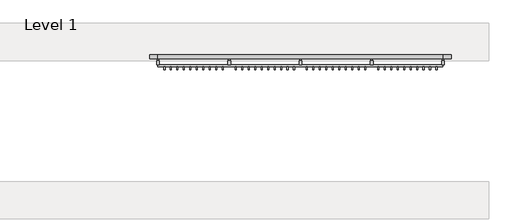
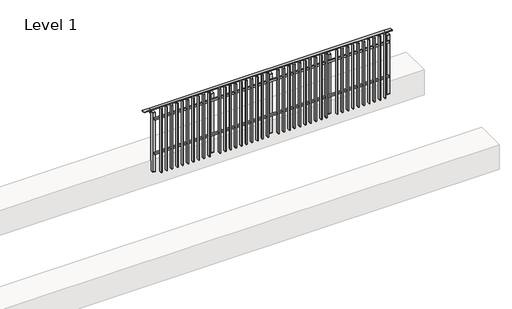
# One storey, part 16 of 17: 1 railing.
"""IFC4 building model written with IfcOpenShell, lengths in millimetres."""

from ifc_helpers import new_model, si_unit, point, frame, frame_2d, origin, place, context, project, spatial, polyline, circle_curve, trimmed, segment, composite_curve, outline, extrude, faceted_brep, element, save

model = new_model("IFC4")

# Units and contexts
model_context = context("Model", 3, world=origin())
ifc_project = project(units=[si_unit("LENGTHUNIT", "METRE", prefix="MILLI")], contexts=[model_context])

# Site, building, storey
site = spatial("IfcSite", under=ifc_project)
building = spatial("IfcBuilding", under=site)
storey = spatial("IfcBuildingStorey", under=building, Name="Level 1", Elevation=0.0)

# Railing
placement = place(None, origin())
element("IfcRailing", 1, at=placement, inside=storey, context=model_context, shape_type="SolidModel", body=[
    faceted_brep([(18027.0, 4992.6846828, 985.0), (18027.0, 4992.6846828, 1000.0), (22527.0, 4992.6846828, 1000.0), (22527.0, 4992.6846828, 985.0), (18027.0, 4932.6846828, 985.0), (22527.0, 4932.6846828, 985.0), (18027.0, 4932.6846828, 1000.0), (22527.0, 4932.6846828, 1000.0), (17899.5, 4992.6846828, 1000.0), (17899.5, 4992.6846828, 985.0), (17899.5, 4932.6846828, 985.0), (17899.5, 4932.6846828, 1000.0), (22654.5, 4992.6846828, 1000.0), (22654.5, 4932.6846828, 1000.0), (22654.5, 4932.6846828, 985.0), (22654.5, 4992.6846828, 985.0)], [[[0, 1, 2, 3]], [[4, 0, 3, 5]], [[6, 4, 5, 7]], [[1, 6, 7, 2]], [[8, 9, 10, 11]], [[9, 8, 1, 0]], [[10, 9, 0, 4]], [[11, 10, 4, 6]], [[8, 11, 6, 1]], [[12, 13, 14, 15]], [[3, 2, 12, 15]], [[5, 3, 15, 14]], [[7, 5, 14, 13]], [[2, 7, 13, 12]]]),
    extrude(outline(polyline([(18027.0, 4803.1846828), (18027.0, 4835.1846828), (22527.0, 4835.1846828), (22527.0, 4803.1846828), (18027.0, 4803.1846828)])), frame((0.0, 0.0, 164.0), z_axis=(0.0, 0.0, 1.0), x_axis=(1.0, 0.0, 0.0)), (0.0, 0.0, 1.0), 36.0),
    extrude(outline(polyline([(18027.0, 4803.1846828), (18027.0, 4835.1846828), (22527.0, 4835.1846828), (22527.0, 4803.1846828), (18027.0, 4803.1846828)])), frame((0.0, 0.0, 864.0), z_axis=(0.0, 0.0, 1.0), x_axis=(1.0, 0.0, 0.0)), (0.0, 0.0, 1.0), 36.0),
    extrude(outline(polyline([(22416.2272727, 4754.1846828), (22416.2272727, 4803.1846828), (22433.2272727, 4803.1846828), (22433.2272727, 4754.1846828), (22416.2272727, 4754.1846828)])), frame((0.0, 0.0, -195.0), z_axis=(0.0, 0.0, 1.0), x_axis=(1.0, 0.0, 0.0)), (0.0, 0.0, 1.0), 1290.0),
    extrude(outline(polyline([(22433.2272727, 4803.1846828), (22433.2272727, 4754.1846828), (22416.2272727, 4754.1846828), (22416.2272727, 4803.1846828), (22433.2272727, 4803.1846828)])), frame((0.0, 0.0, -200.0), z_axis=(0.0, 0.0, 1.0), x_axis=(1.0, 0.0, 0.0)), (0.0, 0.0, 1.0), 5.0),
    extrude(outline(polyline([(22433.2272727, 4803.1846828), (22433.2272727, 4754.1846828), (22416.2272727, 4754.1846828), (22416.2272727, 4803.1846828), (22433.2272727, 4803.1846828)])), frame((0.0, 0.0, 1095.0), z_axis=(0.0, 0.0, 1.0), x_axis=(1.0, 0.0, 0.0)), (0.0, 0.0, 1.0), 5.0),
    extrude(outline(polyline([(22313.9545455, 4754.1846828), (22313.9545455, 4803.1846828), (22330.9545455, 4803.1846828), (22330.9545455, 4754.1846828), (22313.9545455, 4754.1846828)])), frame((0.0, 0.0, -195.0), z_axis=(0.0, 0.0, 1.0), x_axis=(1.0, 0.0, 0.0)), (0.0, 0.0, 1.0), 1290.0),
    extrude(outline(polyline([(22330.9545455, 4803.1846828), (22330.9545455, 4754.1846828), (22313.9545455, 4754.1846828), (22313.9545455, 4803.1846828), (22330.9545455, 4803.1846828)])), frame((0.0, 0.0, -200.0), z_axis=(0.0, 0.0, 1.0), x_axis=(1.0, 0.0, 0.0)), (0.0, 0.0, 1.0), 5.0),
    extrude(outline(polyline([(22330.9545455, 4803.1846828), (22330.9545455, 4754.1846828), (22313.9545455, 4754.1846828), (22313.9545455, 4803.1846828), (22330.9545455, 4803.1846828)])), frame((0.0, 0.0, 1095.0), z_axis=(0.0, 0.0, 1.0), x_axis=(1.0, 0.0, 0.0)), (0.0, 0.0, 1.0), 5.0),
    extrude(outline(polyline([(22211.6818182, 4754.1846828), (22211.6818182, 4803.1846828), (22228.6818182, 4803.1846828), (22228.6818182, 4754.1846828), (22211.6818182, 4754.1846828)])), frame((0.0, 0.0, -195.0), z_axis=(0.0, 0.0, 1.0), x_axis=(1.0, 0.0, 0.0)), (0.0, 0.0, 1.0), 1290.0),
    extrude(outline(polyline([(22228.6818182, 4803.1846828), (22228.6818182, 4754.1846828), (22211.6818182, 4754.1846828), (22211.6818182, 4803.1846828), (22228.6818182, 4803.1846828)])), frame((0.0, 0.0, -200.0), z_axis=(0.0, 0.0, 1.0), x_axis=(1.0, 0.0, 0.0)), (0.0, 0.0, 1.0), 5.0),
    extrude(outline(polyline([(22228.6818182, 4803.1846828), (22228.6818182, 4754.1846828), (22211.6818182, 4754.1846828), (22211.6818182, 4803.1846828), (22228.6818182, 4803.1846828)])), frame((0.0, 0.0, 1095.0), z_axis=(0.0, 0.0, 1.0), x_axis=(1.0, 0.0, 0.0)), (0.0, 0.0, 1.0), 5.0),
    extrude(outline(polyline([(22109.4090909, 4754.1846828), (22109.4090909, 4803.1846828), (22126.4090909, 4803.1846828), (22126.4090909, 4754.1846828), (22109.4090909, 4754.1846828)])), frame((0.0, 0.0, -195.0), z_axis=(0.0, 0.0, 1.0), x_axis=(1.0, 0.0, 0.0)), (0.0, 0.0, 1.0), 1290.0),
    extrude(outline(polyline([(22126.4090909, 4803.1846828), (22126.4090909, 4754.1846828), (22109.4090909, 4754.1846828), (22109.4090909, 4803.1846828), (22126.4090909, 4803.1846828)])), frame((0.0, 0.0, -200.0), z_axis=(0.0, 0.0, 1.0), x_axis=(1.0, 0.0, 0.0)), (0.0, 0.0, 1.0), 5.0),
    extrude(outline(polyline([(22126.4090909, 4803.1846828), (22126.4090909, 4754.1846828), (22109.4090909, 4754.1846828), (22109.4090909, 4803.1846828), (22126.4090909, 4803.1846828)])), frame((0.0, 0.0, 1095.0), z_axis=(0.0, 0.0, 1.0), x_axis=(1.0, 0.0, 0.0)), (0.0, 0.0, 1.0), 5.0),
    extrude(outline(polyline([(22007.1363636, 4754.1846828), (22007.1363636, 4803.1846828), (22024.1363636, 4803.1846828), (22024.1363636, 4754.1846828), (22007.1363636, 4754.1846828)])), frame((0.0, 0.0, -195.0), z_axis=(0.0, 0.0, 1.0), x_axis=(1.0, 0.0, 0.0)), (0.0, 0.0, 1.0), 1290.0),
    extrude(outline(polyline([(22024.1363636, 4803.1846828), (22024.1363636, 4754.1846828), (22007.1363636, 4754.1846828), (22007.1363636, 4803.1846828), (22024.1363636, 4803.1846828)])), frame((0.0, 0.0, -200.0), z_axis=(0.0, 0.0, 1.0), x_axis=(1.0, 0.0, 0.0)), (0.0, 0.0, 1.0), 5.0),
    extrude(outline(polyline([(22024.1363636, 4803.1846828), (22024.1363636, 4754.1846828), (22007.1363636, 4754.1846828), (22007.1363636, 4803.1846828), (22024.1363636, 4803.1846828)])), frame((0.0, 0.0, 1095.0), z_axis=(0.0, 0.0, 1.0), x_axis=(1.0, 0.0, 0.0)), (0.0, 0.0, 1.0), 5.0),
    extrude(outline(polyline([(21904.8636364, 4754.1846828), (21904.8636364, 4803.1846828), (21921.8636364, 4803.1846828), (21921.8636364, 4754.1846828), (21904.8636364, 4754.1846828)])), frame((0.0, 0.0, -195.0), z_axis=(0.0, 0.0, 1.0), x_axis=(1.0, 0.0, 0.0)), (0.0, 0.0, 1.0), 1290.0),
    extrude(outline(polyline([(21921.8636364, 4803.1846828), (21921.8636364, 4754.1846828), (21904.8636364, 4754.1846828), (21904.8636364, 4803.1846828), (21921.8636364, 4803.1846828)])), frame((0.0, 0.0, -200.0), z_axis=(0.0, 0.0, 1.0), x_axis=(1.0, 0.0, 0.0)), (0.0, 0.0, 1.0), 5.0),
    extrude(outline(polyline([(21921.8636364, 4803.1846828), (21921.8636364, 4754.1846828), (21904.8636364, 4754.1846828), (21904.8636364, 4803.1846828), (21921.8636364, 4803.1846828)])), frame((0.0, 0.0, 1095.0), z_axis=(0.0, 0.0, 1.0), x_axis=(1.0, 0.0, 0.0)), (0.0, 0.0, 1.0), 5.0),
    extrude(outline(polyline([(21802.5909091, 4754.1846828), (21802.5909091, 4803.1846828), (21819.5909091, 4803.1846828), (21819.5909091, 4754.1846828), (21802.5909091, 4754.1846828)])), frame((0.0, 0.0, -195.0), z_axis=(0.0, 0.0, 1.0), x_axis=(1.0, 0.0, 0.0)), (0.0, 0.0, 1.0), 1290.0),
    extrude(outline(polyline([(21819.5909091, 4803.1846828), (21819.5909091, 4754.1846828), (21802.5909091, 4754.1846828), (21802.5909091, 4803.1846828), (21819.5909091, 4803.1846828)])), frame((0.0, 0.0, -200.0), z_axis=(0.0, 0.0, 1.0), x_axis=(1.0, 0.0, 0.0)), (0.0, 0.0, 1.0), 5.0),
    extrude(outline(polyline([(21819.5909091, 4803.1846828), (21819.5909091, 4754.1846828), (21802.5909091, 4754.1846828), (21802.5909091, 4803.1846828), (21819.5909091, 4803.1846828)])), frame((0.0, 0.0, 1095.0), z_axis=(0.0, 0.0, 1.0), x_axis=(1.0, 0.0, 0.0)), (0.0, 0.0, 1.0), 5.0),
    extrude(outline(polyline([(21700.3181818, 4754.1846828), (21700.3181818, 4803.1846828), (21717.3181818, 4803.1846828), (21717.3181818, 4754.1846828), (21700.3181818, 4754.1846828)])), frame((0.0, 0.0, -195.0), z_axis=(0.0, 0.0, 1.0), x_axis=(1.0, 0.0, 0.0)), (0.0, 0.0, 1.0), 1290.0),
    extrude(outline(polyline([(21717.3181818, 4803.1846828), (21717.3181818, 4754.1846828), (21700.3181818, 4754.1846828), (21700.3181818, 4803.1846828), (21717.3181818, 4803.1846828)])), frame((0.0, 0.0, -200.0), z_axis=(0.0, 0.0, 1.0), x_axis=(1.0, 0.0, 0.0)), (0.0, 0.0, 1.0), 5.0),
    extrude(outline(polyline([(21717.3181818, 4803.1846828), (21717.3181818, 4754.1846828), (21700.3181818, 4754.1846828), (21700.3181818, 4803.1846828), (21717.3181818, 4803.1846828)])), frame((0.0, 0.0, 1095.0), z_axis=(0.0, 0.0, 1.0), x_axis=(1.0, 0.0, 0.0)), (0.0, 0.0, 1.0), 5.0),
    extrude(outline(polyline([(21598.0454545, 4754.1846828), (21598.0454545, 4803.1846828), (21615.0454545, 4803.1846828), (21615.0454545, 4754.1846828), (21598.0454545, 4754.1846828)])), frame((0.0, 0.0, -195.0), z_axis=(0.0, 0.0, 1.0), x_axis=(1.0, 0.0, 0.0)), (0.0, 0.0, 1.0), 1290.0),
    extrude(outline(polyline([(21615.0454545, 4803.1846828), (21615.0454545, 4754.1846828), (21598.0454545, 4754.1846828), (21598.0454545, 4803.1846828), (21615.0454545, 4803.1846828)])), frame((0.0, 0.0, -200.0), z_axis=(0.0, 0.0, 1.0), x_axis=(1.0, 0.0, 0.0)), (0.0, 0.0, 1.0), 5.0),
    extrude(outline(polyline([(21615.0454545, 4803.1846828), (21615.0454545, 4754.1846828), (21598.0454545, 4754.1846828), (21598.0454545, 4803.1846828), (21615.0454545, 4803.1846828)])), frame((0.0, 0.0, 1095.0), z_axis=(0.0, 0.0, 1.0), x_axis=(1.0, 0.0, 0.0)), (0.0, 0.0, 1.0), 5.0),
    extrude(outline(polyline([(21495.7727273, 4754.1846828), (21495.7727273, 4803.1846828), (21512.7727273, 4803.1846828), (21512.7727273, 4754.1846828), (21495.7727273, 4754.1846828)])), frame((0.0, 0.0, -195.0), z_axis=(0.0, 0.0, 1.0), x_axis=(1.0, 0.0, 0.0)), (0.0, 0.0, 1.0), 1290.0),
    extrude(outline(polyline([(21512.7727273, 4803.1846828), (21512.7727273, 4754.1846828), (21495.7727273, 4754.1846828), (21495.7727273, 4803.1846828), (21512.7727273, 4803.1846828)])), frame((0.0, 0.0, -200.0), z_axis=(0.0, 0.0, 1.0), x_axis=(1.0, 0.0, 0.0)), (0.0, 0.0, 1.0), 5.0),
    extrude(outline(polyline([(21512.7727273, 4803.1846828), (21512.7727273, 4754.1846828), (21495.7727273, 4754.1846828), (21495.7727273, 4803.1846828), (21512.7727273, 4803.1846828)])), frame((0.0, 0.0, 1095.0), z_axis=(0.0, 0.0, 1.0), x_axis=(1.0, 0.0, 0.0)), (0.0, 0.0, 1.0), 5.0),
    extrude(outline(composite_curve([segment(polyline([(4988.1846828, 985.0), (4988.1846828, 960.900037)]), True, "CONTINUOUS"), segment(trimmed(circle_curve(frame_2d((4978.1846828, 960.900037)), 10.0), [point((4988.1846828, 960.900037))], [point((4980.7728733, 951.2407787))], False, "CARTESIAN"), True, "CONTINUOUS"), segment(polyline([(4980.7728733, 951.2407787), (4923.7244733, 935.9547061)]), True, "CONTINUOUS"), segment(trimmed(circle_curve(frame_2d((4926.3126638, 926.2954478)), 10.0), [point((4923.7244733, 935.9547061))], [point((4916.3982152, 927.6007097))], True, "CARTESIAN"), True, "CONTINUOUS"), segment(polyline([(4916.3982152, 927.6007097), (4911.791393, 892.6084214)]), True, "CONTINUOUS"), segment(trimmed(circle_curve(frame_2d((4908.8170584, 893.0)), 3.0), [point((4911.791393, 892.6084214))], [point((4908.8170584, 890.0))], False, "CARTESIAN"), True, "CONTINUOUS"), segment(polyline([(4908.8170584, 890.0), (4900.1846828, 890.0), (4900.1846828, 940.0), (4964.1846828, 957.1487483), (4964.1846828, 985.0), (4988.1846828, 985.0)]), True, "CONTINUOUS")], self_intersect=False)), frame((21389.5, 0.0, 0.0), z_axis=(1.0, 0.0, 0.0), x_axis=(0.0, 1.0, 0.0)), (0.0, 0.0, 1.0), 25.0),
    extrude(outline(polyline([(21424.5, 4900.1846828), (21424.5, 4835.1846828), (21379.5, 4835.1846828), (21379.5, 4900.1846828), (21424.5, 4900.1846828)])), frame((0.0, 0.0, 1000.0), z_axis=(0.0, 0.0, 1.0), x_axis=(1.0, 0.0, 0.0)), (0.0, 0.0, 1.0), 5.0),
    extrude(outline(polyline([(21424.5, 4900.1846828), (21424.5, 4835.1846828), (21379.5, 4835.1846828), (21379.5, 4900.1846828), (21424.5, 4900.1846828)])), frame((0.0, 0.0, -192.0), z_axis=(0.0, 0.0, 1.0), x_axis=(1.0, 0.0, 0.0)), (0.0, 0.0, 1.0), 1192.0),
    extrude(outline(polyline([(21424.5, 4900.1846828), (21424.5, 4835.1846828), (21379.5, 4835.1846828), (21379.5, 4900.1846828), (21424.5, 4900.1846828)])), frame((0.0, 0.0, -200.0), z_axis=(0.0, 0.0, 1.0), x_axis=(1.0, 0.0, 0.0)), (0.0, 0.0, 1.0), 8.0),
    extrude(outline(polyline([(21291.2272727, 4754.1846828), (21291.2272727, 4803.1846828), (21308.2272727, 4803.1846828), (21308.2272727, 4754.1846828), (21291.2272727, 4754.1846828)])), frame((0.0, 0.0, -195.0), z_axis=(0.0, 0.0, 1.0), x_axis=(1.0, 0.0, 0.0)), (0.0, 0.0, 1.0), 1290.0),
    extrude(outline(polyline([(21308.2272727, 4803.1846828), (21308.2272727, 4754.1846828), (21291.2272727, 4754.1846828), (21291.2272727, 4803.1846828), (21308.2272727, 4803.1846828)])), frame((0.0, 0.0, -200.0), z_axis=(0.0, 0.0, 1.0), x_axis=(1.0, 0.0, 0.0)), (0.0, 0.0, 1.0), 5.0),
    extrude(outline(polyline([(21308.2272727, 4803.1846828), (21308.2272727, 4754.1846828), (21291.2272727, 4754.1846828), (21291.2272727, 4803.1846828), (21308.2272727, 4803.1846828)])), frame((0.0, 0.0, 1095.0), z_axis=(0.0, 0.0, 1.0), x_axis=(1.0, 0.0, 0.0)), (0.0, 0.0, 1.0), 5.0),
    extrude(outline(polyline([(21188.9545455, 4754.1846828), (21188.9545455, 4803.1846828), (21205.9545455, 4803.1846828), (21205.9545455, 4754.1846828), (21188.9545455, 4754.1846828)])), frame((0.0, 0.0, -195.0), z_axis=(0.0, 0.0, 1.0), x_axis=(1.0, 0.0, 0.0)), (0.0, 0.0, 1.0), 1290.0),
    extrude(outline(polyline([(21205.9545455, 4803.1846828), (21205.9545455, 4754.1846828), (21188.9545455, 4754.1846828), (21188.9545455, 4803.1846828), (21205.9545455, 4803.1846828)])), frame((0.0, 0.0, -200.0), z_axis=(0.0, 0.0, 1.0), x_axis=(1.0, 0.0, 0.0)), (0.0, 0.0, 1.0), 5.0),
    extrude(outline(polyline([(21205.9545455, 4803.1846828), (21205.9545455, 4754.1846828), (21188.9545455, 4754.1846828), (21188.9545455, 4803.1846828), (21205.9545455, 4803.1846828)])), frame((0.0, 0.0, 1095.0), z_axis=(0.0, 0.0, 1.0), x_axis=(1.0, 0.0, 0.0)), (0.0, 0.0, 1.0), 5.0),
    extrude(outline(polyline([(21086.6818182, 4754.1846828), (21086.6818182, 4803.1846828), (21103.6818182, 4803.1846828), (21103.6818182, 4754.1846828), (21086.6818182, 4754.1846828)])), frame((0.0, 0.0, -195.0), z_axis=(0.0, 0.0, 1.0), x_axis=(1.0, 0.0, 0.0)), (0.0, 0.0, 1.0), 1290.0),
    extrude(outline(polyline([(21103.6818182, 4803.1846828), (21103.6818182, 4754.1846828), (21086.6818182, 4754.1846828), (21086.6818182, 4803.1846828), (21103.6818182, 4803.1846828)])), frame((0.0, 0.0, -200.0), z_axis=(0.0, 0.0, 1.0), x_axis=(1.0, 0.0, 0.0)), (0.0, 0.0, 1.0), 5.0),
    extrude(outline(polyline([(21103.6818182, 4803.1846828), (21103.6818182, 4754.1846828), (21086.6818182, 4754.1846828), (21086.6818182, 4803.1846828), (21103.6818182, 4803.1846828)])), frame((0.0, 0.0, 1095.0), z_axis=(0.0, 0.0, 1.0), x_axis=(1.0, 0.0, 0.0)), (0.0, 0.0, 1.0), 5.0),
    extrude(outline(polyline([(20984.4090909, 4754.1846828), (20984.4090909, 4803.1846828), (21001.4090909, 4803.1846828), (21001.4090909, 4754.1846828), (20984.4090909, 4754.1846828)])), frame((0.0, 0.0, -195.0), z_axis=(0.0, 0.0, 1.0), x_axis=(1.0, 0.0, 0.0)), (0.0, 0.0, 1.0), 1290.0),
    extrude(outline(polyline([(21001.4090909, 4803.1846828), (21001.4090909, 4754.1846828), (20984.4090909, 4754.1846828), (20984.4090909, 4803.1846828), (21001.4090909, 4803.1846828)])), frame((0.0, 0.0, -200.0), z_axis=(0.0, 0.0, 1.0), x_axis=(1.0, 0.0, 0.0)), (0.0, 0.0, 1.0), 5.0),
    extrude(outline(polyline([(21001.4090909, 4803.1846828), (21001.4090909, 4754.1846828), (20984.4090909, 4754.1846828), (20984.4090909, 4803.1846828), (21001.4090909, 4803.1846828)])), frame((0.0, 0.0, 1095.0), z_axis=(0.0, 0.0, 1.0), x_axis=(1.0, 0.0, 0.0)), (0.0, 0.0, 1.0), 5.0),
    extrude(outline(polyline([(20882.1363636, 4754.1846828), (20882.1363636, 4803.1846828), (20899.1363636, 4803.1846828), (20899.1363636, 4754.1846828), (20882.1363636, 4754.1846828)])), frame((0.0, 0.0, -195.0), z_axis=(0.0, 0.0, 1.0), x_axis=(1.0, 0.0, 0.0)), (0.0, 0.0, 1.0), 1290.0),
    extrude(outline(polyline([(20899.1363636, 4803.1846828), (20899.1363636, 4754.1846828), (20882.1363636, 4754.1846828), (20882.1363636, 4803.1846828), (20899.1363636, 4803.1846828)])), frame((0.0, 0.0, -200.0), z_axis=(0.0, 0.0, 1.0), x_axis=(1.0, 0.0, 0.0)), (0.0, 0.0, 1.0), 5.0),
    extrude(outline(polyline([(20899.1363636, 4803.1846828), (20899.1363636, 4754.1846828), (20882.1363636, 4754.1846828), (20882.1363636, 4803.1846828), (20899.1363636, 4803.1846828)])), frame((0.0, 0.0, 1095.0), z_axis=(0.0, 0.0, 1.0), x_axis=(1.0, 0.0, 0.0)), (0.0, 0.0, 1.0), 5.0),
    extrude(outline(polyline([(20779.8636364, 4754.1846828), (20779.8636364, 4803.1846828), (20796.8636364, 4803.1846828), (20796.8636364, 4754.1846828), (20779.8636364, 4754.1846828)])), frame((0.0, 0.0, -195.0), z_axis=(0.0, 0.0, 1.0), x_axis=(1.0, 0.0, 0.0)), (0.0, 0.0, 1.0), 1290.0),
    extrude(outline(polyline([(20796.8636364, 4803.1846828), (20796.8636364, 4754.1846828), (20779.8636364, 4754.1846828), (20779.8636364, 4803.1846828), (20796.8636364, 4803.1846828)])), frame((0.0, 0.0, -200.0), z_axis=(0.0, 0.0, 1.0), x_axis=(1.0, 0.0, 0.0)), (0.0, 0.0, 1.0), 5.0),
    extrude(outline(polyline([(20796.8636364, 4803.1846828), (20796.8636364, 4754.1846828), (20779.8636364, 4754.1846828), (20779.8636364, 4803.1846828), (20796.8636364, 4803.1846828)])), frame((0.0, 0.0, 1095.0), z_axis=(0.0, 0.0, 1.0), x_axis=(1.0, 0.0, 0.0)), (0.0, 0.0, 1.0), 5.0),
    extrude(outline(polyline([(20677.5909091, 4754.1846828), (20677.5909091, 4803.1846828), (20694.5909091, 4803.1846828), (20694.5909091, 4754.1846828), (20677.5909091, 4754.1846828)])), frame((0.0, 0.0, -195.0), z_axis=(0.0, 0.0, 1.0), x_axis=(1.0, 0.0, 0.0)), (0.0, 0.0, 1.0), 1290.0),
    extrude(outline(polyline([(20694.5909091, 4803.1846828), (20694.5909091, 4754.1846828), (20677.5909091, 4754.1846828), (20677.5909091, 4803.1846828), (20694.5909091, 4803.1846828)])), frame((0.0, 0.0, -200.0), z_axis=(0.0, 0.0, 1.0), x_axis=(1.0, 0.0, 0.0)), (0.0, 0.0, 1.0), 5.0),
    extrude(outline(polyline([(20694.5909091, 4803.1846828), (20694.5909091, 4754.1846828), (20677.5909091, 4754.1846828), (20677.5909091, 4803.1846828), (20694.5909091, 4803.1846828)])), frame((0.0, 0.0, 1095.0), z_axis=(0.0, 0.0, 1.0), x_axis=(1.0, 0.0, 0.0)), (0.0, 0.0, 1.0), 5.0),
    extrude(outline(polyline([(20575.3181818, 4754.1846828), (20575.3181818, 4803.1846828), (20592.3181818, 4803.1846828), (20592.3181818, 4754.1846828), (20575.3181818, 4754.1846828)])), frame((0.0, 0.0, -195.0), z_axis=(0.0, 0.0, 1.0), x_axis=(1.0, 0.0, 0.0)), (0.0, 0.0, 1.0), 1290.0),
    extrude(outline(polyline([(20592.3181818, 4803.1846828), (20592.3181818, 4754.1846828), (20575.3181818, 4754.1846828), (20575.3181818, 4803.1846828), (20592.3181818, 4803.1846828)])), frame((0.0, 0.0, -200.0), z_axis=(0.0, 0.0, 1.0), x_axis=(1.0, 0.0, 0.0)), (0.0, 0.0, 1.0), 5.0),
    extrude(outline(polyline([(20592.3181818, 4803.1846828), (20592.3181818, 4754.1846828), (20575.3181818, 4754.1846828), (20575.3181818, 4803.1846828), (20592.3181818, 4803.1846828)])), frame((0.0, 0.0, 1095.0), z_axis=(0.0, 0.0, 1.0), x_axis=(1.0, 0.0, 0.0)), (0.0, 0.0, 1.0), 5.0),
    extrude(outline(polyline([(20473.0454545, 4754.1846828), (20473.0454545, 4803.1846828), (20490.0454545, 4803.1846828), (20490.0454545, 4754.1846828), (20473.0454545, 4754.1846828)])), frame((0.0, 0.0, -195.0), z_axis=(0.0, 0.0, 1.0), x_axis=(1.0, 0.0, 0.0)), (0.0, 0.0, 1.0), 1290.0),
    extrude(outline(polyline([(20490.0454545, 4803.1846828), (20490.0454545, 4754.1846828), (20473.0454545, 4754.1846828), (20473.0454545, 4803.1846828), (20490.0454545, 4803.1846828)])), frame((0.0, 0.0, -200.0), z_axis=(0.0, 0.0, 1.0), x_axis=(1.0, 0.0, 0.0)), (0.0, 0.0, 1.0), 5.0),
    extrude(outline(polyline([(20490.0454545, 4803.1846828), (20490.0454545, 4754.1846828), (20473.0454545, 4754.1846828), (20473.0454545, 4803.1846828), (20490.0454545, 4803.1846828)])), frame((0.0, 0.0, 1095.0), z_axis=(0.0, 0.0, 1.0), x_axis=(1.0, 0.0, 0.0)), (0.0, 0.0, 1.0), 5.0),
    extrude(outline(polyline([(20370.7727273, 4754.1846828), (20370.7727273, 4803.1846828), (20387.7727273, 4803.1846828), (20387.7727273, 4754.1846828), (20370.7727273, 4754.1846828)])), frame((0.0, 0.0, -195.0), z_axis=(0.0, 0.0, 1.0), x_axis=(1.0, 0.0, 0.0)), (0.0, 0.0, 1.0), 1290.0),
    extrude(outline(polyline([(20387.7727273, 4803.1846828), (20387.7727273, 4754.1846828), (20370.7727273, 4754.1846828), (20370.7727273, 4803.1846828), (20387.7727273, 4803.1846828)])), frame((0.0, 0.0, -200.0), z_axis=(0.0, 0.0, 1.0), x_axis=(1.0, 0.0, 0.0)), (0.0, 0.0, 1.0), 5.0),
    extrude(outline(polyline([(20387.7727273, 4803.1846828), (20387.7727273, 4754.1846828), (20370.7727273, 4754.1846828), (20370.7727273, 4803.1846828), (20387.7727273, 4803.1846828)])), frame((0.0, 0.0, 1095.0), z_axis=(0.0, 0.0, 1.0), x_axis=(1.0, 0.0, 0.0)), (0.0, 0.0, 1.0), 5.0),
    extrude(outline(composite_curve([segment(polyline([(4988.1846828, 985.0), (4988.1846828, 960.900037)]), True, "CONTINUOUS"), segment(trimmed(circle_curve(frame_2d((4978.1846828, 960.900037)), 10.0), [point((4988.1846828, 960.900037))], [point((4980.7728733, 951.2407787))], False, "CARTESIAN"), True, "CONTINUOUS"), segment(polyline([(4980.7728733, 951.2407787), (4923.7244733, 935.9547061)]), True, "CONTINUOUS"), segment(trimmed(circle_curve(frame_2d((4926.3126638, 926.2954478)), 10.0), [point((4923.7244733, 935.9547061))], [point((4916.3982152, 927.6007097))], True, "CARTESIAN"), True, "CONTINUOUS"), segment(polyline([(4916.3982152, 927.6007097), (4911.791393, 892.6084214)]), True, "CONTINUOUS"), segment(trimmed(circle_curve(frame_2d((4908.8170584, 893.0)), 3.0), [point((4911.791393, 892.6084214))], [point((4908.8170584, 890.0))], False, "CARTESIAN"), True, "CONTINUOUS"), segment(polyline([(4908.8170584, 890.0), (4900.1846828, 890.0), (4900.1846828, 940.0), (4964.1846828, 957.1487483), (4964.1846828, 985.0), (4988.1846828, 985.0)]), True, "CONTINUOUS")], self_intersect=False)), frame((20264.5, 0.0, 0.0), z_axis=(1.0, 0.0, 0.0), x_axis=(0.0, 1.0, 0.0)), (0.0, 0.0, 1.0), 25.0),
    extrude(outline(polyline([(20299.5, 4900.1846828), (20299.5, 4835.1846828), (20254.5, 4835.1846828), (20254.5, 4900.1846828), (20299.5, 4900.1846828)])), frame((0.0, 0.0, 1000.0), z_axis=(0.0, 0.0, 1.0), x_axis=(1.0, 0.0, 0.0)), (0.0, 0.0, 1.0), 5.0),
    extrude(outline(polyline([(20299.5, 4900.1846828), (20299.5, 4835.1846828), (20254.5, 4835.1846828), (20254.5, 4900.1846828), (20299.5, 4900.1846828)])), frame((0.0, 0.0, -192.0), z_axis=(0.0, 0.0, 1.0), x_axis=(1.0, 0.0, 0.0)), (0.0, 0.0, 1.0), 1192.0),
    extrude(outline(polyline([(20299.5, 4900.1846828), (20299.5, 4835.1846828), (20254.5, 4835.1846828), (20254.5, 4900.1846828), (20299.5, 4900.1846828)])), frame((0.0, 0.0, -200.0), z_axis=(0.0, 0.0, 1.0), x_axis=(1.0, 0.0, 0.0)), (0.0, 0.0, 1.0), 8.0),
    extrude(outline(polyline([(20166.2272727, 4754.1846828), (20166.2272727, 4803.1846828), (20183.2272727, 4803.1846828), (20183.2272727, 4754.1846828), (20166.2272727, 4754.1846828)])), frame((0.0, 0.0, -195.0), z_axis=(0.0, 0.0, 1.0), x_axis=(1.0, 0.0, 0.0)), (0.0, 0.0, 1.0), 1290.0),
    extrude(outline(polyline([(20183.2272727, 4803.1846828), (20183.2272727, 4754.1846828), (20166.2272727, 4754.1846828), (20166.2272727, 4803.1846828), (20183.2272727, 4803.1846828)])), frame((0.0, 0.0, -200.0), z_axis=(0.0, 0.0, 1.0), x_axis=(1.0, 0.0, 0.0)), (0.0, 0.0, 1.0), 5.0),
    extrude(outline(polyline([(20183.2272727, 4803.1846828), (20183.2272727, 4754.1846828), (20166.2272727, 4754.1846828), (20166.2272727, 4803.1846828), (20183.2272727, 4803.1846828)])), frame((0.0, 0.0, 1095.0), z_axis=(0.0, 0.0, 1.0), x_axis=(1.0, 0.0, 0.0)), (0.0, 0.0, 1.0), 5.0),
    extrude(outline(polyline([(20063.9545455, 4754.1846828), (20063.9545455, 4803.1846828), (20080.9545455, 4803.1846828), (20080.9545455, 4754.1846828), (20063.9545455, 4754.1846828)])), frame((0.0, 0.0, -195.0), z_axis=(0.0, 0.0, 1.0), x_axis=(1.0, 0.0, 0.0)), (0.0, 0.0, 1.0), 1290.0),
    extrude(outline(polyline([(20080.9545455, 4803.1846828), (20080.9545455, 4754.1846828), (20063.9545455, 4754.1846828), (20063.9545455, 4803.1846828), (20080.9545455, 4803.1846828)])), frame((0.0, 0.0, -200.0), z_axis=(0.0, 0.0, 1.0), x_axis=(1.0, 0.0, 0.0)), (0.0, 0.0, 1.0), 5.0),
    extrude(outline(polyline([(20080.9545455, 4803.1846828), (20080.9545455, 4754.1846828), (20063.9545455, 4754.1846828), (20063.9545455, 4803.1846828), (20080.9545455, 4803.1846828)])), frame((0.0, 0.0, 1095.0), z_axis=(0.0, 0.0, 1.0), x_axis=(1.0, 0.0, 0.0)), (0.0, 0.0, 1.0), 5.0),
    extrude(outline(polyline([(19961.6818182, 4754.1846828), (19961.6818182, 4803.1846828), (19978.6818182, 4803.1846828), (19978.6818182, 4754.1846828), (19961.6818182, 4754.1846828)])), frame((0.0, 0.0, -195.0), z_axis=(0.0, 0.0, 1.0), x_axis=(1.0, 0.0, 0.0)), (0.0, 0.0, 1.0), 1290.0),
    extrude(outline(polyline([(19978.6818182, 4803.1846828), (19978.6818182, 4754.1846828), (19961.6818182, 4754.1846828), (19961.6818182, 4803.1846828), (19978.6818182, 4803.1846828)])), frame((0.0, 0.0, -200.0), z_axis=(0.0, 0.0, 1.0), x_axis=(1.0, 0.0, 0.0)), (0.0, 0.0, 1.0), 5.0),
    extrude(outline(polyline([(19978.6818182, 4803.1846828), (19978.6818182, 4754.1846828), (19961.6818182, 4754.1846828), (19961.6818182, 4803.1846828), (19978.6818182, 4803.1846828)])), frame((0.0, 0.0, 1095.0), z_axis=(0.0, 0.0, 1.0), x_axis=(1.0, 0.0, 0.0)), (0.0, 0.0, 1.0), 5.0),
    extrude(outline(polyline([(19859.4090909, 4754.1846828), (19859.4090909, 4803.1846828), (19876.4090909, 4803.1846828), (19876.4090909, 4754.1846828), (19859.4090909, 4754.1846828)])), frame((0.0, 0.0, -195.0), z_axis=(0.0, 0.0, 1.0), x_axis=(1.0, 0.0, 0.0)), (0.0, 0.0, 1.0), 1290.0),
    extrude(outline(polyline([(19876.4090909, 4803.1846828), (19876.4090909, 4754.1846828), (19859.4090909, 4754.1846828), (19859.4090909, 4803.1846828), (19876.4090909, 4803.1846828)])), frame((0.0, 0.0, -200.0), z_axis=(0.0, 0.0, 1.0), x_axis=(1.0, 0.0, 0.0)), (0.0, 0.0, 1.0), 5.0),
    extrude(outline(polyline([(19876.4090909, 4803.1846828), (19876.4090909, 4754.1846828), (19859.4090909, 4754.1846828), (19859.4090909, 4803.1846828), (19876.4090909, 4803.1846828)])), frame((0.0, 0.0, 1095.0), z_axis=(0.0, 0.0, 1.0), x_axis=(1.0, 0.0, 0.0)), (0.0, 0.0, 1.0), 5.0),
    extrude(outline(polyline([(19757.1363636, 4754.1846828), (19757.1363636, 4803.1846828), (19774.1363636, 4803.1846828), (19774.1363636, 4754.1846828), (19757.1363636, 4754.1846828)])), frame((0.0, 0.0, -195.0), z_axis=(0.0, 0.0, 1.0), x_axis=(1.0, 0.0, 0.0)), (0.0, 0.0, 1.0), 1290.0),
    extrude(outline(polyline([(19774.1363636, 4803.1846828), (19774.1363636, 4754.1846828), (19757.1363636, 4754.1846828), (19757.1363636, 4803.1846828), (19774.1363636, 4803.1846828)])), frame((0.0, 0.0, -200.0), z_axis=(0.0, 0.0, 1.0), x_axis=(1.0, 0.0, 0.0)), (0.0, 0.0, 1.0), 5.0),
    extrude(outline(polyline([(19774.1363636, 4803.1846828), (19774.1363636, 4754.1846828), (19757.1363636, 4754.1846828), (19757.1363636, 4803.1846828), (19774.1363636, 4803.1846828)])), frame((0.0, 0.0, 1095.0), z_axis=(0.0, 0.0, 1.0), x_axis=(1.0, 0.0, 0.0)), (0.0, 0.0, 1.0), 5.0),
    extrude(outline(polyline([(19654.8636364, 4754.1846828), (19654.8636364, 4803.1846828), (19671.8636364, 4803.1846828), (19671.8636364, 4754.1846828), (19654.8636364, 4754.1846828)])), frame((0.0, 0.0, -195.0), z_axis=(0.0, 0.0, 1.0), x_axis=(1.0, 0.0, 0.0)), (0.0, 0.0, 1.0), 1290.0),
    extrude(outline(polyline([(19671.8636364, 4803.1846828), (19671.8636364, 4754.1846828), (19654.8636364, 4754.1846828), (19654.8636364, 4803.1846828), (19671.8636364, 4803.1846828)])), frame((0.0, 0.0, -200.0), z_axis=(0.0, 0.0, 1.0), x_axis=(1.0, 0.0, 0.0)), (0.0, 0.0, 1.0), 5.0),
    extrude(outline(polyline([(19671.8636364, 4803.1846828), (19671.8636364, 4754.1846828), (19654.8636364, 4754.1846828), (19654.8636364, 4803.1846828), (19671.8636364, 4803.1846828)])), frame((0.0, 0.0, 1095.0), z_axis=(0.0, 0.0, 1.0), x_axis=(1.0, 0.0, 0.0)), (0.0, 0.0, 1.0), 5.0),
    extrude(outline(polyline([(19552.5909091, 4754.1846828), (19552.5909091, 4803.1846828), (19569.5909091, 4803.1846828), (19569.5909091, 4754.1846828), (19552.5909091, 4754.1846828)])), frame((0.0, 0.0, -195.0), z_axis=(0.0, 0.0, 1.0), x_axis=(1.0, 0.0, 0.0)), (0.0, 0.0, 1.0), 1290.0),
    extrude(outline(polyline([(19569.5909091, 4803.1846828), (19569.5909091, 4754.1846828), (19552.5909091, 4754.1846828), (19552.5909091, 4803.1846828), (19569.5909091, 4803.1846828)])), frame((0.0, 0.0, -200.0), z_axis=(0.0, 0.0, 1.0), x_axis=(1.0, 0.0, 0.0)), (0.0, 0.0, 1.0), 5.0),
    extrude(outline(polyline([(19569.5909091, 4803.1846828), (19569.5909091, 4754.1846828), (19552.5909091, 4754.1846828), (19552.5909091, 4803.1846828), (19569.5909091, 4803.1846828)])), frame((0.0, 0.0, 1095.0), z_axis=(0.0, 0.0, 1.0), x_axis=(1.0, 0.0, 0.0)), (0.0, 0.0, 1.0), 5.0),
    extrude(outline(polyline([(19450.3181818, 4754.1846828), (19450.3181818, 4803.1846828), (19467.3181818, 4803.1846828), (19467.3181818, 4754.1846828), (19450.3181818, 4754.1846828)])), frame((0.0, 0.0, -195.0), z_axis=(0.0, 0.0, 1.0), x_axis=(1.0, 0.0, 0.0)), (0.0, 0.0, 1.0), 1290.0),
    extrude(outline(polyline([(19467.3181818, 4803.1846828), (19467.3181818, 4754.1846828), (19450.3181818, 4754.1846828), (19450.3181818, 4803.1846828), (19467.3181818, 4803.1846828)])), frame((0.0, 0.0, -200.0), z_axis=(0.0, 0.0, 1.0), x_axis=(1.0, 0.0, 0.0)), (0.0, 0.0, 1.0), 5.0),
    extrude(outline(polyline([(19467.3181818, 4803.1846828), (19467.3181818, 4754.1846828), (19450.3181818, 4754.1846828), (19450.3181818, 4803.1846828), (19467.3181818, 4803.1846828)])), frame((0.0, 0.0, 1095.0), z_axis=(0.0, 0.0, 1.0), x_axis=(1.0, 0.0, 0.0)), (0.0, 0.0, 1.0), 5.0),
    extrude(outline(polyline([(19348.0454545, 4754.1846828), (19348.0454545, 4803.1846828), (19365.0454545, 4803.1846828), (19365.0454545, 4754.1846828), (19348.0454545, 4754.1846828)])), frame((0.0, 0.0, -195.0), z_axis=(0.0, 0.0, 1.0), x_axis=(1.0, 0.0, 0.0)), (0.0, 0.0, 1.0), 1290.0),
    extrude(outline(polyline([(19365.0454545, 4803.1846828), (19365.0454545, 4754.1846828), (19348.0454545, 4754.1846828), (19348.0454545, 4803.1846828), (19365.0454545, 4803.1846828)])), frame((0.0, 0.0, -200.0), z_axis=(0.0, 0.0, 1.0), x_axis=(1.0, 0.0, 0.0)), (0.0, 0.0, 1.0), 5.0),
    extrude(outline(polyline([(19365.0454545, 4803.1846828), (19365.0454545, 4754.1846828), (19348.0454545, 4754.1846828), (19348.0454545, 4803.1846828), (19365.0454545, 4803.1846828)])), frame((0.0, 0.0, 1095.0), z_axis=(0.0, 0.0, 1.0), x_axis=(1.0, 0.0, 0.0)), (0.0, 0.0, 1.0), 5.0),
    extrude(outline(polyline([(19245.7727273, 4754.1846828), (19245.7727273, 4803.1846828), (19262.7727273, 4803.1846828), (19262.7727273, 4754.1846828), (19245.7727273, 4754.1846828)])), frame((0.0, 0.0, -195.0), z_axis=(0.0, 0.0, 1.0), x_axis=(1.0, 0.0, 0.0)), (0.0, 0.0, 1.0), 1290.0),
    extrude(outline(polyline([(19262.7727273, 4803.1846828), (19262.7727273, 4754.1846828), (19245.7727273, 4754.1846828), (19245.7727273, 4803.1846828), (19262.7727273, 4803.1846828)])), frame((0.0, 0.0, -200.0), z_axis=(0.0, 0.0, 1.0), x_axis=(1.0, 0.0, 0.0)), (0.0, 0.0, 1.0), 5.0),
    extrude(outline(polyline([(19262.7727273, 4803.1846828), (19262.7727273, 4754.1846828), (19245.7727273, 4754.1846828), (19245.7727273, 4803.1846828), (19262.7727273, 4803.1846828)])), frame((0.0, 0.0, 1095.0), z_axis=(0.0, 0.0, 1.0), x_axis=(1.0, 0.0, 0.0)), (0.0, 0.0, 1.0), 5.0),
    extrude(outline(composite_curve([segment(polyline([(4988.1846828, 985.0), (4988.1846828, 960.900037)]), True, "CONTINUOUS"), segment(trimmed(circle_curve(frame_2d((4978.1846828, 960.900037)), 10.0), [point((4988.1846828, 960.900037))], [point((4980.7728733, 951.2407787))], False, "CARTESIAN"), True, "CONTINUOUS"), segment(polyline([(4980.7728733, 951.2407787), (4923.7244733, 935.9547061)]), True, "CONTINUOUS"), segment(trimmed(circle_curve(frame_2d((4926.3126638, 926.2954478)), 10.0), [point((4923.7244733, 935.9547061))], [point((4916.3982152, 927.6007097))], True, "CARTESIAN"), True, "CONTINUOUS"), segment(polyline([(4916.3982152, 927.6007097), (4911.791393, 892.6084214)]), True, "CONTINUOUS"), segment(trimmed(circle_curve(frame_2d((4908.8170584, 893.0)), 3.0), [point((4911.791393, 892.6084214))], [point((4908.8170584, 890.0))], False, "CARTESIAN"), True, "CONTINUOUS"), segment(polyline([(4908.8170584, 890.0), (4900.1846828, 890.0), (4900.1846828, 940.0), (4964.1846828, 957.1487483), (4964.1846828, 985.0), (4988.1846828, 985.0)]), True, "CONTINUOUS")], self_intersect=False)), frame((19139.5, 0.0, 0.0), z_axis=(1.0, 0.0, 0.0), x_axis=(0.0, 1.0, 0.0)), (0.0, 0.0, 1.0), 25.0),
    extrude(outline(polyline([(19174.5, 4900.1846828), (19174.5, 4835.1846828), (19129.5, 4835.1846828), (19129.5, 4900.1846828), (19174.5, 4900.1846828)])), frame((0.0, 0.0, 1000.0), z_axis=(0.0, 0.0, 1.0), x_axis=(1.0, 0.0, 0.0)), (0.0, 0.0, 1.0), 5.0),
    extrude(outline(polyline([(19174.5, 4900.1846828), (19174.5, 4835.1846828), (19129.5, 4835.1846828), (19129.5, 4900.1846828), (19174.5, 4900.1846828)])), frame((0.0, 0.0, -192.0), z_axis=(0.0, 0.0, 1.0), x_axis=(1.0, 0.0, 0.0)), (0.0, 0.0, 1.0), 1192.0),
    extrude(outline(polyline([(19174.5, 4900.1846828), (19174.5, 4835.1846828), (19129.5, 4835.1846828), (19129.5, 4900.1846828), (19174.5, 4900.1846828)])), frame((0.0, 0.0, -200.0), z_axis=(0.0, 0.0, 1.0), x_axis=(1.0, 0.0, 0.0)), (0.0, 0.0, 1.0), 8.0),
    extrude(outline(polyline([(19041.2272727, 4754.1846828), (19041.2272727, 4803.1846828), (19058.2272727, 4803.1846828), (19058.2272727, 4754.1846828), (19041.2272727, 4754.1846828)])), frame((0.0, 0.0, -195.0), z_axis=(0.0, 0.0, 1.0), x_axis=(1.0, 0.0, 0.0)), (0.0, 0.0, 1.0), 1290.0),
    extrude(outline(polyline([(19058.2272727, 4803.1846828), (19058.2272727, 4754.1846828), (19041.2272727, 4754.1846828), (19041.2272727, 4803.1846828), (19058.2272727, 4803.1846828)])), frame((0.0, 0.0, -200.0), z_axis=(0.0, 0.0, 1.0), x_axis=(1.0, 0.0, 0.0)), (0.0, 0.0, 1.0), 5.0),
    extrude(outline(polyline([(19058.2272727, 4803.1846828), (19058.2272727, 4754.1846828), (19041.2272727, 4754.1846828), (19041.2272727, 4803.1846828), (19058.2272727, 4803.1846828)])), frame((0.0, 0.0, 1095.0), z_axis=(0.0, 0.0, 1.0), x_axis=(1.0, 0.0, 0.0)), (0.0, 0.0, 1.0), 5.0),
    extrude(outline(polyline([(18938.9545455, 4754.1846828), (18938.9545455, 4803.1846828), (18955.9545455, 4803.1846828), (18955.9545455, 4754.1846828), (18938.9545455, 4754.1846828)])), frame((0.0, 0.0, -195.0), z_axis=(0.0, 0.0, 1.0), x_axis=(1.0, 0.0, 0.0)), (0.0, 0.0, 1.0), 1290.0),
    extrude(outline(polyline([(18955.9545455, 4803.1846828), (18955.9545455, 4754.1846828), (18938.9545455, 4754.1846828), (18938.9545455, 4803.1846828), (18955.9545455, 4803.1846828)])), frame((0.0, 0.0, -200.0), z_axis=(0.0, 0.0, 1.0), x_axis=(1.0, 0.0, 0.0)), (0.0, 0.0, 1.0), 5.0),
    extrude(outline(polyline([(18955.9545455, 4803.1846828), (18955.9545455, 4754.1846828), (18938.9545455, 4754.1846828), (18938.9545455, 4803.1846828), (18955.9545455, 4803.1846828)])), frame((0.0, 0.0, 1095.0), z_axis=(0.0, 0.0, 1.0), x_axis=(1.0, 0.0, 0.0)), (0.0, 0.0, 1.0), 5.0),
    extrude(outline(polyline([(18836.6818182, 4754.1846828), (18836.6818182, 4803.1846828), (18853.6818182, 4803.1846828), (18853.6818182, 4754.1846828), (18836.6818182, 4754.1846828)])), frame((0.0, 0.0, -195.0), z_axis=(0.0, 0.0, 1.0), x_axis=(1.0, 0.0, 0.0)), (0.0, 0.0, 1.0), 1290.0),
    extrude(outline(polyline([(18853.6818182, 4803.1846828), (18853.6818182, 4754.1846828), (18836.6818182, 4754.1846828), (18836.6818182, 4803.1846828), (18853.6818182, 4803.1846828)])), frame((0.0, 0.0, -200.0), z_axis=(0.0, 0.0, 1.0), x_axis=(1.0, 0.0, 0.0)), (0.0, 0.0, 1.0), 5.0),
    extrude(outline(polyline([(18853.6818182, 4803.1846828), (18853.6818182, 4754.1846828), (18836.6818182, 4754.1846828), (18836.6818182, 4803.1846828), (18853.6818182, 4803.1846828)])), frame((0.0, 0.0, 1095.0), z_axis=(0.0, 0.0, 1.0), x_axis=(1.0, 0.0, 0.0)), (0.0, 0.0, 1.0), 5.0),
    extrude(outline(polyline([(18734.4090909, 4754.1846828), (18734.4090909, 4803.1846828), (18751.4090909, 4803.1846828), (18751.4090909, 4754.1846828), (18734.4090909, 4754.1846828)])), frame((0.0, 0.0, -195.0), z_axis=(0.0, 0.0, 1.0), x_axis=(1.0, 0.0, 0.0)), (0.0, 0.0, 1.0), 1290.0),
    extrude(outline(polyline([(18751.4090909, 4803.1846828), (18751.4090909, 4754.1846828), (18734.4090909, 4754.1846828), (18734.4090909, 4803.1846828), (18751.4090909, 4803.1846828)])), frame((0.0, 0.0, -200.0), z_axis=(0.0, 0.0, 1.0), x_axis=(1.0, 0.0, 0.0)), (0.0, 0.0, 1.0), 5.0),
    extrude(outline(polyline([(18751.4090909, 4803.1846828), (18751.4090909, 4754.1846828), (18734.4090909, 4754.1846828), (18734.4090909, 4803.1846828), (18751.4090909, 4803.1846828)])), frame((0.0, 0.0, 1095.0), z_axis=(0.0, 0.0, 1.0), x_axis=(1.0, 0.0, 0.0)), (0.0, 0.0, 1.0), 5.0),
    extrude(outline(polyline([(18632.1363636, 4754.1846828), (18632.1363636, 4803.1846828), (18649.1363636, 4803.1846828), (18649.1363636, 4754.1846828), (18632.1363636, 4754.1846828)])), frame((0.0, 0.0, -195.0), z_axis=(0.0, 0.0, 1.0), x_axis=(1.0, 0.0, 0.0)), (0.0, 0.0, 1.0), 1290.0),
    extrude(outline(polyline([(18649.1363636, 4803.1846828), (18649.1363636, 4754.1846828), (18632.1363636, 4754.1846828), (18632.1363636, 4803.1846828), (18649.1363636, 4803.1846828)])), frame((0.0, 0.0, -200.0), z_axis=(0.0, 0.0, 1.0), x_axis=(1.0, 0.0, 0.0)), (0.0, 0.0, 1.0), 5.0),
    extrude(outline(polyline([(18649.1363636, 4803.1846828), (18649.1363636, 4754.1846828), (18632.1363636, 4754.1846828), (18632.1363636, 4803.1846828), (18649.1363636, 4803.1846828)])), frame((0.0, 0.0, 1095.0), z_axis=(0.0, 0.0, 1.0), x_axis=(1.0, 0.0, 0.0)), (0.0, 0.0, 1.0), 5.0),
    extrude(outline(polyline([(18529.8636364, 4754.1846828), (18529.8636364, 4803.1846828), (18546.8636364, 4803.1846828), (18546.8636364, 4754.1846828), (18529.8636364, 4754.1846828)])), frame((0.0, 0.0, -195.0), z_axis=(0.0, 0.0, 1.0), x_axis=(1.0, 0.0, 0.0)), (0.0, 0.0, 1.0), 1290.0),
    extrude(outline(polyline([(18546.8636364, 4803.1846828), (18546.8636364, 4754.1846828), (18529.8636364, 4754.1846828), (18529.8636364, 4803.1846828), (18546.8636364, 4803.1846828)])), frame((0.0, 0.0, -200.0), z_axis=(0.0, 0.0, 1.0), x_axis=(1.0, 0.0, 0.0)), (0.0, 0.0, 1.0), 5.0),
    extrude(outline(polyline([(18546.8636364, 4803.1846828), (18546.8636364, 4754.1846828), (18529.8636364, 4754.1846828), (18529.8636364, 4803.1846828), (18546.8636364, 4803.1846828)])), frame((0.0, 0.0, 1095.0), z_axis=(0.0, 0.0, 1.0), x_axis=(1.0, 0.0, 0.0)), (0.0, 0.0, 1.0), 5.0),
    extrude(outline(polyline([(18427.5909091, 4754.1846828), (18427.5909091, 4803.1846828), (18444.5909091, 4803.1846828), (18444.5909091, 4754.1846828), (18427.5909091, 4754.1846828)])), frame((0.0, 0.0, -195.0), z_axis=(0.0, 0.0, 1.0), x_axis=(1.0, 0.0, 0.0)), (0.0, 0.0, 1.0), 1290.0),
    extrude(outline(polyline([(18444.5909091, 4803.1846828), (18444.5909091, 4754.1846828), (18427.5909091, 4754.1846828), (18427.5909091, 4803.1846828), (18444.5909091, 4803.1846828)])), frame((0.0, 0.0, -200.0), z_axis=(0.0, 0.0, 1.0), x_axis=(1.0, 0.0, 0.0)), (0.0, 0.0, 1.0), 5.0),
    extrude(outline(polyline([(18444.5909091, 4803.1846828), (18444.5909091, 4754.1846828), (18427.5909091, 4754.1846828), (18427.5909091, 4803.1846828), (18444.5909091, 4803.1846828)])), frame((0.0, 0.0, 1095.0), z_axis=(0.0, 0.0, 1.0), x_axis=(1.0, 0.0, 0.0)), (0.0, 0.0, 1.0), 5.0),
    extrude(outline(polyline([(18325.3181818, 4754.1846828), (18325.3181818, 4803.1846828), (18342.3181818, 4803.1846828), (18342.3181818, 4754.1846828), (18325.3181818, 4754.1846828)])), frame((0.0, 0.0, -195.0), z_axis=(0.0, 0.0, 1.0), x_axis=(1.0, 0.0, 0.0)), (0.0, 0.0, 1.0), 1290.0),
    extrude(outline(polyline([(18342.3181818, 4803.1846828), (18342.3181818, 4754.1846828), (18325.3181818, 4754.1846828), (18325.3181818, 4803.1846828), (18342.3181818, 4803.1846828)])), frame((0.0, 0.0, -200.0), z_axis=(0.0, 0.0, 1.0), x_axis=(1.0, 0.0, 0.0)), (0.0, 0.0, 1.0), 5.0),
    extrude(outline(polyline([(18342.3181818, 4803.1846828), (18342.3181818, 4754.1846828), (18325.3181818, 4754.1846828), (18325.3181818, 4803.1846828), (18342.3181818, 4803.1846828)])), frame((0.0, 0.0, 1095.0), z_axis=(0.0, 0.0, 1.0), x_axis=(1.0, 0.0, 0.0)), (0.0, 0.0, 1.0), 5.0),
    extrude(outline(polyline([(18223.0454545, 4754.1846828), (18223.0454545, 4803.1846828), (18240.0454545, 4803.1846828), (18240.0454545, 4754.1846828), (18223.0454545, 4754.1846828)])), frame((0.0, 0.0, -195.0), z_axis=(0.0, 0.0, 1.0), x_axis=(1.0, 0.0, 0.0)), (0.0, 0.0, 1.0), 1290.0),
    extrude(outline(polyline([(18240.0454545, 4803.1846828), (18240.0454545, 4754.1846828), (18223.0454545, 4754.1846828), (18223.0454545, 4803.1846828), (18240.0454545, 4803.1846828)])), frame((0.0, 0.0, -200.0), z_axis=(0.0, 0.0, 1.0), x_axis=(1.0, 0.0, 0.0)), (0.0, 0.0, 1.0), 5.0),
    extrude(outline(polyline([(18240.0454545, 4803.1846828), (18240.0454545, 4754.1846828), (18223.0454545, 4754.1846828), (18223.0454545, 4803.1846828), (18240.0454545, 4803.1846828)])), frame((0.0, 0.0, 1095.0), z_axis=(0.0, 0.0, 1.0), x_axis=(1.0, 0.0, 0.0)), (0.0, 0.0, 1.0), 5.0),
    extrude(outline(polyline([(18120.7727273, 4754.1846828), (18120.7727273, 4803.1846828), (18137.7727273, 4803.1846828), (18137.7727273, 4754.1846828), (18120.7727273, 4754.1846828)])), frame((0.0, 0.0, -195.0), z_axis=(0.0, 0.0, 1.0), x_axis=(1.0, 0.0, 0.0)), (0.0, 0.0, 1.0), 1290.0),
    extrude(outline(polyline([(18137.7727273, 4803.1846828), (18137.7727273, 4754.1846828), (18120.7727273, 4754.1846828), (18120.7727273, 4803.1846828), (18137.7727273, 4803.1846828)])), frame((0.0, 0.0, -200.0), z_axis=(0.0, 0.0, 1.0), x_axis=(1.0, 0.0, 0.0)), (0.0, 0.0, 1.0), 5.0),
    extrude(outline(polyline([(18137.7727273, 4803.1846828), (18137.7727273, 4754.1846828), (18120.7727273, 4754.1846828), (18120.7727273, 4803.1846828), (18137.7727273, 4803.1846828)])), frame((0.0, 0.0, 1095.0), z_axis=(0.0, 0.0, 1.0), x_axis=(1.0, 0.0, 0.0)), (0.0, 0.0, 1.0), 5.0),
    extrude(outline(composite_curve([segment(polyline([(4988.1846828, 985.0), (4988.1846828, 960.900037)]), True, "CONTINUOUS"), segment(trimmed(circle_curve(frame_2d((4978.1846828, 960.900037)), 10.0), [point((4988.1846828, 960.900037))], [point((4980.7728733, 951.2407787))], False, "CARTESIAN"), True, "CONTINUOUS"), segment(polyline([(4980.7728733, 951.2407787), (4923.7244733, 935.9547061)]), True, "CONTINUOUS"), segment(trimmed(circle_curve(frame_2d((4926.3126638, 926.2954478)), 10.0), [point((4923.7244733, 935.9547061))], [point((4916.3982152, 927.6007097))], True, "CARTESIAN"), True, "CONTINUOUS"), segment(polyline([(4916.3982152, 927.6007097), (4911.791393, 892.6084214)]), True, "CONTINUOUS"), segment(trimmed(circle_curve(frame_2d((4908.8170584, 893.0)), 3.0), [point((4911.791393, 892.6084214))], [point((4908.8170584, 890.0))], False, "CARTESIAN"), True, "CONTINUOUS"), segment(polyline([(4908.8170584, 890.0), (4900.1846828, 890.0), (4900.1846828, 940.0), (4964.1846828, 957.1487483), (4964.1846828, 985.0), (4988.1846828, 985.0)]), True, "CONTINUOUS")], self_intersect=False)), frame((22514.5, 0.0, 0.0), z_axis=(1.0, 0.0, 0.0), x_axis=(0.0, 1.0, 0.0)), (0.0, 0.0, 1.0), 25.0),
    extrude(outline(polyline([(22549.5, 4900.1846828), (22549.5, 4835.1846828), (22504.5, 4835.1846828), (22504.5, 4900.1846828), (22549.5, 4900.1846828)])), frame((0.0, 0.0, 1000.0), z_axis=(0.0, 0.0, 1.0), x_axis=(1.0, 0.0, 0.0)), (0.0, 0.0, 1.0), 5.0),
    extrude(outline(polyline([(22549.5, 4900.1846828), (22549.5, 4835.1846828), (22504.5, 4835.1846828), (22504.5, 4900.1846828), (22549.5, 4900.1846828)])), frame((0.0, 0.0, -192.0), z_axis=(0.0, 0.0, 1.0), x_axis=(1.0, 0.0, 0.0)), (0.0, 0.0, 1.0), 1192.0),
    extrude(outline(polyline([(22549.5, 4900.1846828), (22549.5, 4835.1846828), (22504.5, 4835.1846828), (22504.5, 4900.1846828), (22549.5, 4900.1846828)])), frame((0.0, 0.0, -200.0), z_axis=(0.0, 0.0, 1.0), x_axis=(1.0, 0.0, 0.0)), (0.0, 0.0, 1.0), 8.0),
    extrude(outline(composite_curve([segment(polyline([(4988.1846828, 985.0), (4988.1846828, 960.900037)]), True, "CONTINUOUS"), segment(trimmed(circle_curve(frame_2d((4978.1846828, 960.900037)), 10.0), [point((4988.1846828, 960.900037))], [point((4980.7728733, 951.2407787))], False, "CARTESIAN"), True, "CONTINUOUS"), segment(polyline([(4980.7728733, 951.2407787), (4923.7244733, 935.9547061)]), True, "CONTINUOUS"), segment(trimmed(circle_curve(frame_2d((4926.3126638, 926.2954478)), 10.0), [point((4923.7244733, 935.9547061))], [point((4916.3982152, 927.6007097))], True, "CARTESIAN"), True, "CONTINUOUS"), segment(polyline([(4916.3982152, 927.6007097), (4911.791393, 892.6084214)]), True, "CONTINUOUS"), segment(trimmed(circle_curve(frame_2d((4908.8170584, 893.0)), 3.0), [point((4911.791393, 892.6084214))], [point((4908.8170584, 890.0))], False, "CARTESIAN"), True, "CONTINUOUS"), segment(polyline([(4908.8170584, 890.0), (4900.1846828, 890.0), (4900.1846828, 940.0), (4964.1846828, 957.1487483), (4964.1846828, 985.0), (4988.1846828, 985.0)]), True, "CONTINUOUS")], self_intersect=False)), frame((18014.5, 0.0, 0.0), z_axis=(1.0, 0.0, 0.0), x_axis=(0.0, 1.0, 0.0)), (0.0, 0.0, 1.0), 25.0),
    extrude(outline(polyline([(18049.5, 4900.1846828), (18049.5, 4835.1846828), (18004.5, 4835.1846828), (18004.5, 4900.1846828), (18049.5, 4900.1846828)])), frame((0.0, 0.0, 1000.0), z_axis=(0.0, 0.0, 1.0), x_axis=(1.0, 0.0, 0.0)), (0.0, 0.0, 1.0), 5.0),
    extrude(outline(polyline([(18049.5, 4900.1846828), (18049.5, 4835.1846828), (18004.5, 4835.1846828), (18004.5, 4900.1846828), (18049.5, 4900.1846828)])), frame((0.0, 0.0, -192.0), z_axis=(0.0, 0.0, 1.0), x_axis=(1.0, 0.0, 0.0)), (0.0, 0.0, 1.0), 1192.0),
    extrude(outline(polyline([(18049.5, 4900.1846828), (18049.5, 4835.1846828), (18004.5, 4835.1846828), (18004.5, 4900.1846828), (18049.5, 4900.1846828)])), frame((0.0, 0.0, -200.0), z_axis=(0.0, 0.0, 1.0), x_axis=(1.0, 0.0, 0.0)), (0.0, 0.0, 1.0), 8.0),
])

save(model, "model.ifc")
